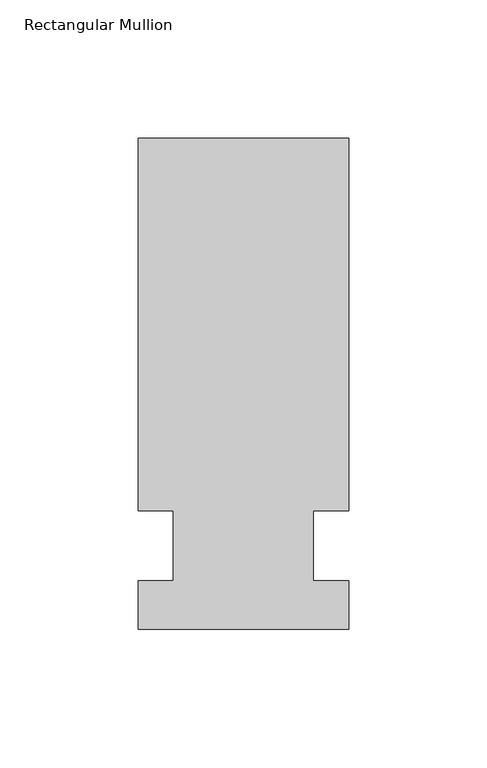
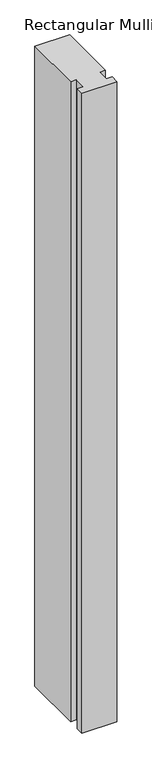
"""IFC4 building model written with IfcOpenShell, lengths in millimetres: member geometry, Rectangular Mullion."""

from ifc_helpers import new_model, si_unit, frame, origin, place, context, project, spatial, polyline, outline, extrude, source, transform, mapped, element, save


def rectangular_mullion_907157ea(model_context):
    return source(origin(), model_context, "Body", "SweptSolid", [
        extrude(outline(polyline([(42.4344027, 147.6375), (42.4344027, 12.7), (29.7326322, 12.7), (29.7326322, -12.7), (42.4344027, -12.7), (42.4344027, -30.1625), (-33.7655973, -30.1625), (-33.7655973, -12.7), (-21.0655973, -12.7), (-21.0655973, 12.7), (-33.7655973, 12.7), (-33.7655973, 147.6375), (42.4344027, 147.6375)])), frame((0.0, 0.0, -1478.28), z_axis=(0.0, 0.0, 1.0), x_axis=(1.0, 0.0, 0.0)), (0.0, 0.0, 1.0), 1478.28),
    ])


if __name__ == "__main__":
    model = new_model("IFC4")
    model_context = context("Model", 3, world=origin())
    ifc_project = project(units=[si_unit("LENGTHUNIT", "METRE", prefix="MILLI")], contexts=[model_context])
    site = spatial("IfcSite", under=ifc_project)
    building = spatial("IfcBuilding", under=site)
    placement = place(None, origin())
    rectangular_mullion_shape = rectangular_mullion_907157ea(model_context)
    element("IfcMember", 1, ObjectType="Rectangular Mullion", at=placement, inside=building, context=model_context, shape_type="MappedRepresentation", body=[
        mapped(rectangular_mullion_shape, transform((0.0, 0.0, 0.0), x_axis=(1.0, 0.0, 0.0), y_axis=(0.0, 1.0, 0.0), z_axis=(0.0, 0.0, 1.0))),
    ])
    save(model, "model.ifc")
